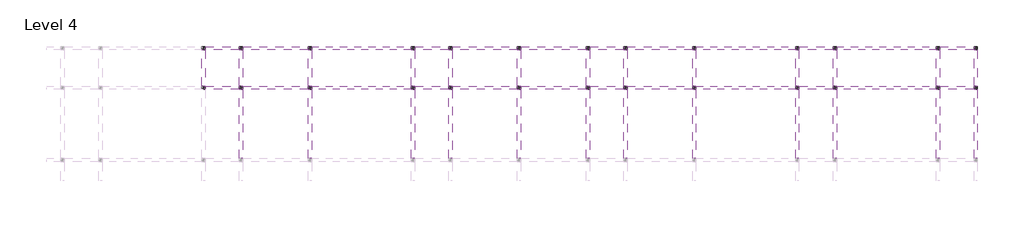
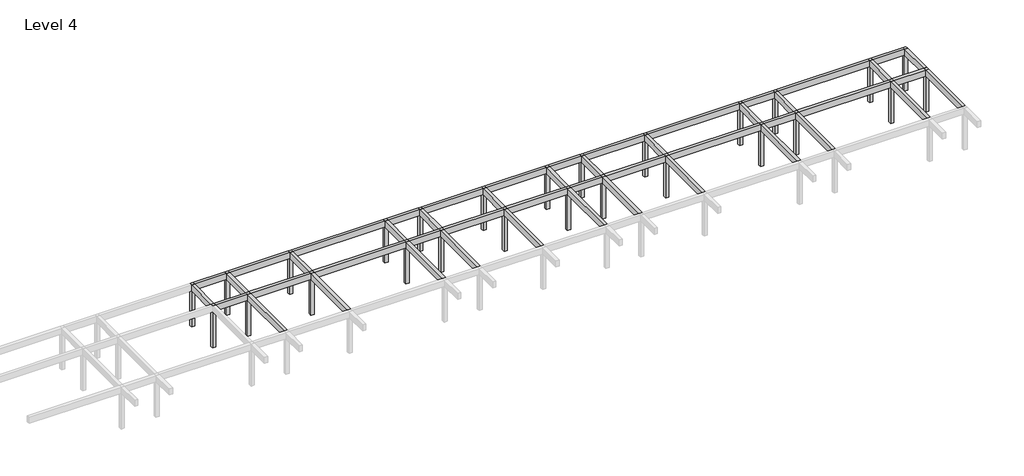
# One storey, part 3 of 3: 49 beams, 26 columns.
"""IFC4 building model written with IfcOpenShell, lengths in millimetres."""

from ifc_helpers import new_model, si_unit, frame, origin, place, context, project, spatial, polyline, outline, extrude, element, save

model = new_model("IFC4")

# Units and contexts
model_context = context("Model", 3, world=origin())
ifc_project = project(units=[si_unit("LENGTHUNIT", "METRE", prefix="MILLI")], contexts=[model_context])

# Site, building, storey
site = spatial("IfcSite", under=ifc_project)
building = spatial("IfcBuilding", under=site)
storey = spatial("IfcBuildingStorey", under=building, Name="Level 4", Elevation=12600.0)

# Beams
placement = place(None, origin())
element("IfcBeam", 1, ObjectType="M_Concrete-Rectangular Beam : 300 x 600mm", at=placement, inside=storey, context=model_context, shape_type="SweptSolid", body=[
    extrude(outline(polyline([(4295.953533, 9324.2507663), (4595.953533, 9324.2507663), (4595.953533, 6174.2507663), (4295.953533, 6174.2507663), (4295.953533, 9324.2507663)])), frame((0.0, 0.0, 16200.0), z_axis=(0.0, 0.0, 1.0), x_axis=(1.0, 0.0, 0.0)), (0.0, 0.0, 1.0), 600.0),
])
element("IfcBeam", 2, ObjectType="M_Concrete-Rectangular Beam : 300 x 600mm", at=placement, inside=storey, context=model_context, shape_type="SweptSolid", body=[
    extrude(outline(polyline([(7595.953533, 5874.2507663), (7895.953533, 5874.2507663), (7895.953533, -125.7492337), (7595.953533, -125.7492337), (7595.953533, 5874.2507663)])), frame((0.0, 0.0, 16200.0), z_axis=(0.0, 0.0, 1.0), x_axis=(1.0, 0.0, 0.0)), (0.0, 0.0, 1.0), 600.0),
])
element("IfcBeam", 3, ObjectType="M_Concrete-Rectangular Beam : 300 x 600mm", at=placement, inside=storey, context=model_context, shape_type="SweptSolid", body=[
    extrude(outline(polyline([(7595.953533, 9324.2507663), (7895.953533, 9324.2507663), (7895.953533, 6174.2507663), (7595.953533, 6174.2507663), (7595.953533, 9324.2507663)])), frame((0.0, 0.0, 16200.0), z_axis=(0.0, 0.0, 1.0), x_axis=(1.0, 0.0, 0.0)), (0.0, 0.0, 1.0), 600.0),
])
element("IfcBeam", 4, ObjectType="M_Concrete-Rectangular Beam : 300 x 600mm", at=placement, inside=storey, context=model_context, shape_type="SweptSolid", body=[
    extrude(outline(polyline([(13595.953533, 5874.2507663), (13895.953533, 5874.2507663), (13895.953533, -125.7492337), (13595.953533, -125.7492337), (13595.953533, 5874.2507663)])), frame((0.0, 0.0, 16200.0), z_axis=(0.0, 0.0, 1.0), x_axis=(1.0, 0.0, 0.0)), (0.0, 0.0, 1.0), 600.0),
])
element("IfcBeam", 5, ObjectType="M_Concrete-Rectangular Beam : 300 x 600mm", at=placement, inside=storey, context=model_context, shape_type="SweptSolid", body=[
    extrude(outline(polyline([(13595.953533, 9324.2507663), (13895.953533, 9324.2507663), (13895.953533, 6174.2507663), (13595.953533, 6174.2507663), (13595.953533, 9324.2507663)])), frame((0.0, 0.0, 16200.0), z_axis=(0.0, 0.0, 1.0), x_axis=(1.0, 0.0, 0.0)), (0.0, 0.0, 1.0), 600.0),
])
element("IfcBeam", 6, ObjectType="M_Concrete-Rectangular Beam : 300 x 600mm", at=placement, inside=storey, context=model_context, shape_type="SweptSolid", body=[
    extrude(outline(polyline([(25895.953533, 5874.2507663), (26195.953533, 5874.2507663), (26195.953533, -125.7492337), (25895.953533, -125.7492337), (25895.953533, 5874.2507663)])), frame((0.0, 0.0, 16200.0), z_axis=(0.0, 0.0, 1.0), x_axis=(1.0, 0.0, 0.0)), (0.0, 0.0, 1.0), 600.0),
])
element("IfcBeam", 7, ObjectType="M_Concrete-Rectangular Beam : 300 x 600mm", at=placement, inside=storey, context=model_context, shape_type="SweptSolid", body=[
    extrude(outline(polyline([(25895.953533, 9324.2507663), (26195.953533, 9324.2507663), (26195.953533, 6174.2507663), (25895.953533, 6174.2507663), (25895.953533, 9324.2507663)])), frame((0.0, 0.0, 16200.0), z_axis=(0.0, 0.0, 1.0), x_axis=(1.0, 0.0, 0.0)), (0.0, 0.0, 1.0), 600.0),
])
element("IfcBeam", 8, ObjectType="M_Concrete-Rectangular Beam : 300 x 600mm", at=placement, inside=storey, context=model_context, shape_type="SweptSolid", body=[
    extrude(outline(polyline([(22595.953533, 5874.2507663), (22895.953533, 5874.2507663), (22895.953533, -125.7492337), (22595.953533, -125.7492337), (22595.953533, 5874.2507663)])), frame((0.0, 0.0, 16200.0), z_axis=(0.0, 0.0, 1.0), x_axis=(1.0, 0.0, 0.0)), (0.0, 0.0, 1.0), 600.0),
])
element("IfcBeam", 9, ObjectType="M_Concrete-Rectangular Beam : 300 x 600mm", at=placement, inside=storey, context=model_context, shape_type="SweptSolid", body=[
    extrude(outline(polyline([(22595.953533, 9324.2507663), (22895.953533, 9324.2507663), (22895.953533, 6174.2507663), (22595.953533, 6174.2507663), (22595.953533, 9324.2507663)])), frame((0.0, 0.0, 16200.0), z_axis=(0.0, 0.0, 1.0), x_axis=(1.0, 0.0, 0.0)), (0.0, 0.0, 1.0), 600.0),
])
element("IfcBeam", 10, ObjectType="M_Concrete-Rectangular Beam : 300 x 600mm", at=placement, inside=storey, context=model_context, shape_type="SweptSolid", body=[
    extrude(outline(polyline([(31895.953533, 5874.2507663), (32195.953533, 5874.2507663), (32195.953533, -125.7492337), (31895.953533, -125.7492337), (31895.953533, 5874.2507663)])), frame((0.0, 0.0, 16200.0), z_axis=(0.0, 0.0, 1.0), x_axis=(1.0, 0.0, 0.0)), (0.0, 0.0, 1.0), 600.0),
])
element("IfcBeam", 11, ObjectType="M_Concrete-Rectangular Beam : 300 x 600mm", at=placement, inside=storey, context=model_context, shape_type="SweptSolid", body=[
    extrude(outline(polyline([(31895.953533, 9324.2507663), (32195.953533, 9324.2507663), (32195.953533, 6174.2507663), (31895.953533, 6174.2507663), (31895.953533, 9324.2507663)])), frame((0.0, 0.0, 16200.0), z_axis=(0.0, 0.0, 1.0), x_axis=(1.0, 0.0, 0.0)), (0.0, 0.0, 1.0), 600.0),
])
element("IfcBeam", 12, ObjectType="M_Concrete-Rectangular Beam : 300 x 600mm", at=placement, inside=storey, context=model_context, shape_type="SweptSolid", body=[
    extrude(outline(polyline([(37895.953533, 5874.2507663), (38195.953533, 5874.2507663), (38195.953533, -125.7492337), (37895.953533, -125.7492337), (37895.953533, 5874.2507663)])), frame((0.0, 0.0, 16200.0), z_axis=(0.0, 0.0, 1.0), x_axis=(1.0, 0.0, 0.0)), (0.0, 0.0, 1.0), 600.0),
])
element("IfcBeam", 13, ObjectType="M_Concrete-Rectangular Beam : 300 x 600mm", at=placement, inside=storey, context=model_context, shape_type="SweptSolid", body=[
    extrude(outline(polyline([(37895.953533, 9324.2507663), (38195.953533, 9324.2507663), (38195.953533, 6174.2507663), (37895.953533, 6174.2507663), (37895.953533, 9324.2507663)])), frame((0.0, 0.0, 16200.0), z_axis=(0.0, 0.0, 1.0), x_axis=(1.0, 0.0, 0.0)), (0.0, 0.0, 1.0), 600.0),
])
element("IfcBeam", 14, ObjectType="M_Concrete-Rectangular Beam : 300 x 600mm", at=placement, inside=storey, context=model_context, shape_type="SweptSolid", body=[
    extrude(outline(polyline([(41195.953533, 5874.2507663), (41495.953533, 5874.2507663), (41495.953533, -125.7492337), (41195.953533, -125.7492337), (41195.953533, 5874.2507663)])), frame((0.0, 0.0, 16200.0), z_axis=(0.0, 0.0, 1.0), x_axis=(1.0, 0.0, 0.0)), (0.0, 0.0, 1.0), 600.0),
])
element("IfcBeam", 15, ObjectType="M_Concrete-Rectangular Beam : 300 x 600mm", at=placement, inside=storey, context=model_context, shape_type="SweptSolid", body=[
    extrude(outline(polyline([(41195.953533, 9324.2507663), (41495.953533, 9324.2507663), (41495.953533, 6174.2507663), (41195.953533, 6174.2507663), (41195.953533, 9324.2507663)])), frame((0.0, 0.0, 16200.0), z_axis=(0.0, 0.0, 1.0), x_axis=(1.0, 0.0, 0.0)), (0.0, 0.0, 1.0), 600.0),
])
element("IfcBeam", 16, ObjectType="M_Concrete-Rectangular Beam : 300 x 600mm", at=placement, inside=storey, context=model_context, shape_type="SweptSolid", body=[
    extrude(outline(polyline([(47195.953533, 5874.2507663), (47495.953533, 5874.2507663), (47495.953533, -125.7492337), (47195.953533, -125.7492337), (47195.953533, 5874.2507663)])), frame((0.0, 0.0, 16200.0), z_axis=(0.0, 0.0, 1.0), x_axis=(1.0, 0.0, 0.0)), (0.0, 0.0, 1.0), 600.0),
])
element("IfcBeam", 17, ObjectType="M_Concrete-Rectangular Beam : 300 x 600mm", at=placement, inside=storey, context=model_context, shape_type="SweptSolid", body=[
    extrude(outline(polyline([(47195.953533, 9324.2507663), (47495.953533, 9324.2507663), (47495.953533, 6174.2507663), (47195.953533, 6174.2507663), (47195.953533, 9324.2507663)])), frame((0.0, 0.0, 16200.0), z_axis=(0.0, 0.0, 1.0), x_axis=(1.0, 0.0, 0.0)), (0.0, 0.0, 1.0), 600.0),
])
element("IfcBeam", 18, ObjectType="M_Concrete-Rectangular Beam : 300 x 600mm", at=placement, inside=storey, context=model_context, shape_type="SweptSolid", body=[
    extrude(outline(polyline([(56195.953533, 5874.2507663), (56495.953533, 5874.2507663), (56495.953533, -125.7492337), (56195.953533, -125.7492337), (56195.953533, 5874.2507663)])), frame((0.0, 0.0, 16200.0), z_axis=(0.0, 0.0, 1.0), x_axis=(1.0, 0.0, 0.0)), (0.0, 0.0, 1.0), 600.0),
])
element("IfcBeam", 19, ObjectType="M_Concrete-Rectangular Beam : 300 x 600mm", at=placement, inside=storey, context=model_context, shape_type="SweptSolid", body=[
    extrude(outline(polyline([(56195.953533, 9324.2507663), (56495.953533, 9324.2507663), (56495.953533, 6174.2507663), (56195.953533, 6174.2507663), (56195.953533, 9324.2507663)])), frame((0.0, 0.0, 16200.0), z_axis=(0.0, 0.0, 1.0), x_axis=(1.0, 0.0, 0.0)), (0.0, 0.0, 1.0), 600.0),
])
element("IfcBeam", 20, ObjectType="M_Concrete-Rectangular Beam : 300 x 600mm", at=placement, inside=storey, context=model_context, shape_type="SweptSolid", body=[
    extrude(outline(polyline([(59495.953533, 5874.2507663), (59795.953533, 5874.2507663), (59795.953533, -125.7492337), (59495.953533, -125.7492337), (59495.953533, 5874.2507663)])), frame((0.0, 0.0, 16200.0), z_axis=(0.0, 0.0, 1.0), x_axis=(1.0, 0.0, 0.0)), (0.0, 0.0, 1.0), 600.0),
])
element("IfcBeam", 21, ObjectType="M_Concrete-Rectangular Beam : 300 x 600mm", at=placement, inside=storey, context=model_context, shape_type="SweptSolid", body=[
    extrude(outline(polyline([(59495.953533, 9324.2507663), (59795.953533, 9324.2507663), (59795.953533, 6174.2507663), (59495.953533, 6174.2507663), (59495.953533, 9324.2507663)])), frame((0.0, 0.0, 16200.0), z_axis=(0.0, 0.0, 1.0), x_axis=(1.0, 0.0, 0.0)), (0.0, 0.0, 1.0), 600.0),
])
element("IfcBeam", 22, ObjectType="M_Concrete-Rectangular Beam : 300 x 600mm", at=placement, inside=storey, context=model_context, shape_type="SweptSolid", body=[
    extrude(outline(polyline([(68495.953533, 5874.2507663), (68795.953533, 5874.2507663), (68795.953533, -125.7492337), (68495.953533, -125.7492337), (68495.953533, 5874.2507663)])), frame((0.0, 0.0, 16200.0), z_axis=(0.0, 0.0, 1.0), x_axis=(1.0, 0.0, 0.0)), (0.0, 0.0, 1.0), 600.0),
])
element("IfcBeam", 23, ObjectType="M_Concrete-Rectangular Beam : 300 x 600mm", at=placement, inside=storey, context=model_context, shape_type="SweptSolid", body=[
    extrude(outline(polyline([(68495.953533, 9324.2507663), (68795.953533, 9324.2507663), (68795.953533, 6174.2507663), (68495.953533, 6174.2507663), (68495.953533, 9324.2507663)])), frame((0.0, 0.0, 16200.0), z_axis=(0.0, 0.0, 1.0), x_axis=(1.0, 0.0, 0.0)), (0.0, 0.0, 1.0), 600.0),
])
element("IfcBeam", 24, ObjectType="M_Concrete-Rectangular Beam : 300 x 600mm", at=placement, inside=storey, context=model_context, shape_type="SweptSolid", body=[
    extrude(outline(polyline([(71795.953533, 5874.2507663), (72095.953533, 5874.2507663), (72095.953533, -125.7492337), (71795.953533, -125.7492337), (71795.953533, 5874.2507663)])), frame((0.0, 0.0, 16200.0), z_axis=(0.0, 0.0, 1.0), x_axis=(1.0, 0.0, 0.0)), (0.0, 0.0, 1.0), 600.0),
])
element("IfcBeam", 25, ObjectType="M_Concrete-Rectangular Beam : 300 x 600mm", at=placement, inside=storey, context=model_context, shape_type="SweptSolid", body=[
    extrude(outline(polyline([(71795.953533, 9324.2507663), (72095.953533, 9324.2507663), (72095.953533, 6174.2507663), (71795.953533, 6174.2507663), (71795.953533, 9324.2507663)])), frame((0.0, 0.0, 16200.0), z_axis=(0.0, 0.0, 1.0), x_axis=(1.0, 0.0, 0.0)), (0.0, 0.0, 1.0), 600.0),
])
element("IfcBeam", 26, ObjectType="M_Concrete-Rectangular Beam : 300 x 600mm", at=placement, inside=storey, context=model_context, shape_type="SweptSolid", body=[
    extrude(outline(polyline([(4595.953533, 9324.2507663), (4595.953533, 9624.2507663), (7595.953533, 9624.2507663), (7595.953533, 9324.2507663), (4595.953533, 9324.2507663)])), frame((0.0, 0.0, 16200.0), z_axis=(0.0, 0.0, 1.0), x_axis=(1.0, 0.0, 0.0)), (0.0, 0.0, 1.0), 600.0),
])
element("IfcBeam", 27, ObjectType="M_Concrete-Rectangular Beam : 300 x 600mm", at=placement, inside=storey, context=model_context, shape_type="SweptSolid", body=[
    extrude(outline(polyline([(7895.953533, 9324.2507663), (7895.953533, 9624.2507663), (13595.953533, 9624.2507663), (13595.953533, 9324.2507663), (7895.953533, 9324.2507663)])), frame((0.0, 0.0, 16200.0), z_axis=(0.0, 0.0, 1.0), x_axis=(1.0, 0.0, 0.0)), (0.0, 0.0, 1.0), 600.0),
])
element("IfcBeam", 28, ObjectType="M_Concrete-Rectangular Beam : 300 x 600mm", at=placement, inside=storey, context=model_context, shape_type="SweptSolid", body=[
    extrude(outline(polyline([(13895.953533, 9324.2507663), (13895.953533, 9624.2507663), (22595.953533, 9624.2507663), (22595.953533, 9324.2507663), (13895.953533, 9324.2507663)])), frame((0.0, 0.0, 16200.0), z_axis=(0.0, 0.0, 1.0), x_axis=(1.0, 0.0, 0.0)), (0.0, 0.0, 1.0), 600.0),
])
element("IfcBeam", 29, ObjectType="M_Concrete-Rectangular Beam : 300 x 600mm", at=placement, inside=storey, context=model_context, shape_type="SweptSolid", body=[
    extrude(outline(polyline([(25895.953533, 9624.2507663), (25895.953533, 9324.2507663), (22895.953533, 9324.2507663), (22895.953533, 9624.2507663), (25895.953533, 9624.2507663)])), frame((0.0, 0.0, 16200.0), z_axis=(0.0, 0.0, 1.0), x_axis=(1.0, 0.0, 0.0)), (0.0, 0.0, 1.0), 600.0),
])
element("IfcBeam", 30, ObjectType="M_Concrete-Rectangular Beam : 300 x 600mm", at=placement, inside=storey, context=model_context, shape_type="SweptSolid", body=[
    extrude(outline(polyline([(26195.953533, 9324.2507663), (26195.953533, 9624.2507663), (31895.953533, 9624.2507663), (31895.953533, 9324.2507663), (26195.953533, 9324.2507663)])), frame((0.0, 0.0, 16200.0), z_axis=(0.0, 0.0, 1.0), x_axis=(1.0, 0.0, 0.0)), (0.0, 0.0, 1.0), 600.0),
])
element("IfcBeam", 31, ObjectType="M_Concrete-Rectangular Beam : 300 x 600mm", at=placement, inside=storey, context=model_context, shape_type="SweptSolid", body=[
    extrude(outline(polyline([(32195.953533, 9324.2507663), (32195.953533, 9624.2507663), (37895.953533, 9624.2507663), (37895.953533, 9324.2507663), (32195.953533, 9324.2507663)])), frame((0.0, 0.0, 16200.0), z_axis=(0.0, 0.0, 1.0), x_axis=(1.0, 0.0, 0.0)), (0.0, 0.0, 1.0), 600.0),
])
element("IfcBeam", 32, ObjectType="M_Concrete-Rectangular Beam : 300 x 600mm", at=placement, inside=storey, context=model_context, shape_type="SweptSolid", body=[
    extrude(outline(polyline([(38195.953533, 9324.2507663), (38195.953533, 9624.2507663), (41195.953533, 9624.2507663), (41195.953533, 9324.2507663), (38195.953533, 9324.2507663)])), frame((0.0, 0.0, 16200.0), z_axis=(0.0, 0.0, 1.0), x_axis=(1.0, 0.0, 0.0)), (0.0, 0.0, 1.0), 600.0),
])
element("IfcBeam", 33, ObjectType="M_Concrete-Rectangular Beam : 300 x 600mm", at=placement, inside=storey, context=model_context, shape_type="SweptSolid", body=[
    extrude(outline(polyline([(41495.953533, 9324.2507663), (41495.953533, 9624.2507663), (47195.953533, 9624.2507663), (47195.953533, 9324.2507663), (41495.953533, 9324.2507663)])), frame((0.0, 0.0, 16200.0), z_axis=(0.0, 0.0, 1.0), x_axis=(1.0, 0.0, 0.0)), (0.0, 0.0, 1.0), 600.0),
])
element("IfcBeam", 34, ObjectType="M_Concrete-Rectangular Beam : 300 x 600mm", at=placement, inside=storey, context=model_context, shape_type="SweptSolid", body=[
    extrude(outline(polyline([(47495.953533, 9324.2507663), (47495.953533, 9624.2507663), (56195.953533, 9624.2507663), (56195.953533, 9324.2507663), (47495.953533, 9324.2507663)])), frame((0.0, 0.0, 16200.0), z_axis=(0.0, 0.0, 1.0), x_axis=(1.0, 0.0, 0.0)), (0.0, 0.0, 1.0), 600.0),
])
element("IfcBeam", 35, ObjectType="M_Concrete-Rectangular Beam : 300 x 600mm", at=placement, inside=storey, context=model_context, shape_type="SweptSolid", body=[
    extrude(outline(polyline([(56495.953533, 9324.2507663), (56495.953533, 9624.2507663), (59495.953533, 9624.2507663), (59495.953533, 9324.2507663), (56495.953533, 9324.2507663)])), frame((0.0, 0.0, 16200.0), z_axis=(0.0, 0.0, 1.0), x_axis=(1.0, 0.0, 0.0)), (0.0, 0.0, 1.0), 600.0),
])
element("IfcBeam", 36, ObjectType="M_Concrete-Rectangular Beam : 300 x 600mm", at=placement, inside=storey, context=model_context, shape_type="SweptSolid", body=[
    extrude(outline(polyline([(59795.953533, 9324.2507663), (59795.953533, 9624.2507663), (68495.953533, 9624.2507663), (68495.953533, 9324.2507663), (59795.953533, 9324.2507663)])), frame((0.0, 0.0, 16200.0), z_axis=(0.0, 0.0, 1.0), x_axis=(1.0, 0.0, 0.0)), (0.0, 0.0, 1.0), 600.0),
])
element("IfcBeam", 37, ObjectType="M_Concrete-Rectangular Beam : 300 x 600mm", at=placement, inside=storey, context=model_context, shape_type="SweptSolid", body=[
    extrude(outline(polyline([(68795.953533, 9324.2507663), (68795.953533, 9624.2507663), (71795.953533, 9624.2507663), (71795.953533, 9324.2507663), (68795.953533, 9324.2507663)])), frame((0.0, 0.0, 16200.0), z_axis=(0.0, 0.0, 1.0), x_axis=(1.0, 0.0, 0.0)), (0.0, 0.0, 1.0), 600.0),
])
element("IfcBeam", 38, ObjectType="M_Concrete-Rectangular Beam : 300 x 600mm", at=placement, inside=storey, context=model_context, shape_type="SweptSolid", body=[
    extrude(outline(polyline([(4595.953533, 5874.2507663), (4595.953533, 6174.2507663), (7595.953533, 6174.2507663), (7595.953533, 5874.2507663), (4595.953533, 5874.2507663)])), frame((0.0, 0.0, 16200.0), z_axis=(0.0, 0.0, 1.0), x_axis=(1.0, 0.0, 0.0)), (0.0, 0.0, 1.0), 600.0),
])
element("IfcBeam", 39, ObjectType="M_Concrete-Rectangular Beam : 300 x 600mm", at=placement, inside=storey, context=model_context, shape_type="SweptSolid", body=[
    extrude(outline(polyline([(7895.953533, 5874.2507663), (7895.953533, 6174.2507663), (13595.953533, 6174.2507663), (13595.953533, 5874.2507663), (7895.953533, 5874.2507663)])), frame((0.0, 0.0, 16200.0), z_axis=(0.0, 0.0, 1.0), x_axis=(1.0, 0.0, 0.0)), (0.0, 0.0, 1.0), 600.0),
])
element("IfcBeam", 40, ObjectType="M_Concrete-Rectangular Beam : 300 x 600mm", at=placement, inside=storey, context=model_context, shape_type="SweptSolid", body=[
    extrude(outline(polyline([(13895.953533, 5874.2507663), (13895.953533, 6174.2507663), (22595.953533, 6174.2507663), (22595.953533, 5874.2507663), (13895.953533, 5874.2507663)])), frame((0.0, 0.0, 16200.0), z_axis=(0.0, 0.0, 1.0), x_axis=(1.0, 0.0, 0.0)), (0.0, 0.0, 1.0), 600.0),
])
element("IfcBeam", 41, ObjectType="M_Concrete-Rectangular Beam : 300 x 600mm", at=placement, inside=storey, context=model_context, shape_type="SweptSolid", body=[
    extrude(outline(polyline([(25895.953533, 6174.2507663), (25895.953533, 5874.2507663), (22895.953533, 5874.2507663), (22895.953533, 6174.2507663), (25895.953533, 6174.2507663)])), frame((0.0, 0.0, 16200.0), z_axis=(0.0, 0.0, 1.0), x_axis=(1.0, 0.0, 0.0)), (0.0, 0.0, 1.0), 600.0),
])
element("IfcBeam", 42, ObjectType="M_Concrete-Rectangular Beam : 300 x 600mm", at=placement, inside=storey, context=model_context, shape_type="SweptSolid", body=[
    extrude(outline(polyline([(26195.953533, 5874.2507663), (26195.953533, 6174.2507663), (31895.953533, 6174.2507663), (31895.953533, 5874.2507663), (26195.953533, 5874.2507663)])), frame((0.0, 0.0, 16200.0), z_axis=(0.0, 0.0, 1.0), x_axis=(1.0, 0.0, 0.0)), (0.0, 0.0, 1.0), 600.0),
])
element("IfcBeam", 43, ObjectType="M_Concrete-Rectangular Beam : 300 x 600mm", at=placement, inside=storey, context=model_context, shape_type="SweptSolid", body=[
    extrude(outline(polyline([(32195.953533, 5874.2507663), (32195.953533, 6174.2507663), (37895.953533, 6174.2507663), (37895.953533, 5874.2507663), (32195.953533, 5874.2507663)])), frame((0.0, 0.0, 16200.0), z_axis=(0.0, 0.0, 1.0), x_axis=(1.0, 0.0, 0.0)), (0.0, 0.0, 1.0), 600.0),
])
element("IfcBeam", 44, ObjectType="M_Concrete-Rectangular Beam : 300 x 600mm", at=placement, inside=storey, context=model_context, shape_type="SweptSolid", body=[
    extrude(outline(polyline([(38195.953533, 5874.2507663), (38195.953533, 6174.2507663), (41195.953533, 6174.2507663), (41195.953533, 5874.2507663), (38195.953533, 5874.2507663)])), frame((0.0, 0.0, 16200.0), z_axis=(0.0, 0.0, 1.0), x_axis=(1.0, 0.0, 0.0)), (0.0, 0.0, 1.0), 600.0),
])
element("IfcBeam", 45, ObjectType="M_Concrete-Rectangular Beam : 300 x 600mm", at=placement, inside=storey, context=model_context, shape_type="SweptSolid", body=[
    extrude(outline(polyline([(41495.953533, 5874.2507663), (41495.953533, 6174.2507663), (47195.953533, 6174.2507663), (47195.953533, 5874.2507663), (41495.953533, 5874.2507663)])), frame((0.0, 0.0, 16200.0), z_axis=(0.0, 0.0, 1.0), x_axis=(1.0, 0.0, 0.0)), (0.0, 0.0, 1.0), 600.0),
])
element("IfcBeam", 46, ObjectType="M_Concrete-Rectangular Beam : 300 x 600mm", at=placement, inside=storey, context=model_context, shape_type="SweptSolid", body=[
    extrude(outline(polyline([(47495.953533, 5874.2507663), (47495.953533, 6174.2507663), (56195.953533, 6174.2507663), (56195.953533, 5874.2507663), (47495.953533, 5874.2507663)])), frame((0.0, 0.0, 16200.0), z_axis=(0.0, 0.0, 1.0), x_axis=(1.0, 0.0, 0.0)), (0.0, 0.0, 1.0), 600.0),
])
element("IfcBeam", 47, ObjectType="M_Concrete-Rectangular Beam : 300 x 600mm", at=placement, inside=storey, context=model_context, shape_type="SweptSolid", body=[
    extrude(outline(polyline([(56495.953533, 5874.2507663), (56495.953533, 6174.2507663), (59495.953533, 6174.2507663), (59495.953533, 5874.2507663), (56495.953533, 5874.2507663)])), frame((0.0, 0.0, 16200.0), z_axis=(0.0, 0.0, 1.0), x_axis=(1.0, 0.0, 0.0)), (0.0, 0.0, 1.0), 600.0),
])
element("IfcBeam", 48, ObjectType="M_Concrete-Rectangular Beam : 300 x 600mm", at=placement, inside=storey, context=model_context, shape_type="SweptSolid", body=[
    extrude(outline(polyline([(59795.953533, 5874.2507663), (59795.953533, 6174.2507663), (68495.953533, 6174.2507663), (68495.953533, 5874.2507663), (59795.953533, 5874.2507663)])), frame((0.0, 0.0, 16200.0), z_axis=(0.0, 0.0, 1.0), x_axis=(1.0, 0.0, 0.0)), (0.0, 0.0, 1.0), 600.0),
])
element("IfcBeam", 49, ObjectType="M_Concrete-Rectangular Beam : 300 x 600mm", at=placement, inside=storey, context=model_context, shape_type="SweptSolid", body=[
    extrude(outline(polyline([(68795.953533, 5874.2507663), (68795.953533, 6174.2507663), (71795.953533, 6174.2507663), (71795.953533, 5874.2507663), (68795.953533, 5874.2507663)])), frame((0.0, 0.0, 16200.0), z_axis=(0.0, 0.0, 1.0), x_axis=(1.0, 0.0, 0.0)), (0.0, 0.0, 1.0), 600.0),
])

# Columns
element("IfcColumn", 50, ObjectType="M_Concrete-Square-Column : 300 x 300mm", at=placement, inside=storey, context=model_context, shape_type="SweptSolid", body=[
    extrude(outline(polyline([(4595.953533, 9624.2507663), (4595.953533, 9324.2507663), (4295.953533, 9324.2507663), (4295.953533, 9624.2507663), (4595.953533, 9624.2507663)])), frame((0.0, 0.0, 12600.0), z_axis=(0.0, 0.0, 1.0), x_axis=(1.0, 0.0, 0.0)), (0.0, 0.0, 1.0), 4200.0),
])
element("IfcColumn", 51, ObjectType="M_Concrete-Square-Column : 300 x 300mm", at=placement, inside=storey, context=model_context, shape_type="SweptSolid", body=[
    extrude(outline(polyline([(4595.953533, 6174.2507663), (4595.953533, 5874.2507663), (4295.953533, 5874.2507663), (4295.953533, 6174.2507663), (4595.953533, 6174.2507663)])), frame((0.0, 0.0, 12600.0), z_axis=(0.0, 0.0, 1.0), x_axis=(1.0, 0.0, 0.0)), (0.0, 0.0, 1.0), 4200.0),
])
element("IfcColumn", 52, ObjectType="M_Concrete-Square-Column : 300 x 300mm", at=placement, inside=storey, context=model_context, shape_type="SweptSolid", body=[
    extrude(outline(polyline([(7895.953533, 9624.2507663), (7895.953533, 9324.2507663), (7595.953533, 9324.2507663), (7595.953533, 9624.2507663), (7895.953533, 9624.2507663)])), frame((0.0, 0.0, 12600.0), z_axis=(0.0, 0.0, 1.0), x_axis=(1.0, 0.0, 0.0)), (0.0, 0.0, 1.0), 4200.0),
])
element("IfcColumn", 53, ObjectType="M_Concrete-Square-Column : 300 x 300mm", at=placement, inside=storey, context=model_context, shape_type="SweptSolid", body=[
    extrude(outline(polyline([(7895.953533, 6174.2507663), (7895.953533, 5874.2507663), (7595.953533, 5874.2507663), (7595.953533, 6174.2507663), (7895.953533, 6174.2507663)])), frame((0.0, 0.0, 12600.0), z_axis=(0.0, 0.0, 1.0), x_axis=(1.0, 0.0, 0.0)), (0.0, 0.0, 1.0), 4200.0),
])
element("IfcColumn", 54, ObjectType="M_Concrete-Square-Column : 300 x 300mm", at=placement, inside=storey, context=model_context, shape_type="SweptSolid", body=[
    extrude(outline(polyline([(13895.953533, 9624.2507663), (13895.953533, 9324.2507663), (13595.953533, 9324.2507663), (13595.953533, 9624.2507663), (13895.953533, 9624.2507663)])), frame((0.0, 0.0, 12600.0), z_axis=(0.0, 0.0, 1.0), x_axis=(1.0, 0.0, 0.0)), (0.0, 0.0, 1.0), 4200.0),
])
element("IfcColumn", 55, ObjectType="M_Concrete-Square-Column : 300 x 300mm", at=placement, inside=storey, context=model_context, shape_type="SweptSolid", body=[
    extrude(outline(polyline([(13895.953533, 6174.2507663), (13895.953533, 5874.2507663), (13595.953533, 5874.2507663), (13595.953533, 6174.2507663), (13895.953533, 6174.2507663)])), frame((0.0, 0.0, 12600.0), z_axis=(0.0, 0.0, 1.0), x_axis=(1.0, 0.0, 0.0)), (0.0, 0.0, 1.0), 4200.0),
])
element("IfcColumn", 56, ObjectType="M_Concrete-Square-Column : 300 x 300mm", at=placement, inside=storey, context=model_context, shape_type="SweptSolid", body=[
    extrude(outline(polyline([(26195.953533, 9624.2507663), (26195.953533, 9324.2507663), (25895.953533, 9324.2507663), (25895.953533, 9624.2507663), (26195.953533, 9624.2507663)])), frame((0.0, 0.0, 12600.0), z_axis=(0.0, 0.0, 1.0), x_axis=(1.0, 0.0, 0.0)), (0.0, 0.0, 1.0), 4200.0),
])
element("IfcColumn", 57, ObjectType="M_Concrete-Square-Column : 300 x 300mm", at=placement, inside=storey, context=model_context, shape_type="SweptSolid", body=[
    extrude(outline(polyline([(26195.953533, 6174.2507663), (26195.953533, 5874.2507663), (25895.953533, 5874.2507663), (25895.953533, 6174.2507663), (26195.953533, 6174.2507663)])), frame((0.0, 0.0, 12600.0), z_axis=(0.0, 0.0, 1.0), x_axis=(1.0, 0.0, 0.0)), (0.0, 0.0, 1.0), 4200.0),
])
element("IfcColumn", 58, ObjectType="M_Concrete-Square-Column : 300 x 300mm", at=placement, inside=storey, context=model_context, shape_type="SweptSolid", body=[
    extrude(outline(polyline([(22895.953533, 9624.2507663), (22895.953533, 9324.2507663), (22595.953533, 9324.2507663), (22595.953533, 9624.2507663), (22895.953533, 9624.2507663)])), frame((0.0, 0.0, 12600.0), z_axis=(0.0, 0.0, 1.0), x_axis=(1.0, 0.0, 0.0)), (0.0, 0.0, 1.0), 4200.0),
])
element("IfcColumn", 59, ObjectType="M_Concrete-Square-Column : 300 x 300mm", at=placement, inside=storey, context=model_context, shape_type="SweptSolid", body=[
    extrude(outline(polyline([(22895.953533, 6174.2507663), (22895.953533, 5874.2507663), (22595.953533, 5874.2507663), (22595.953533, 6174.2507663), (22895.953533, 6174.2507663)])), frame((0.0, 0.0, 12600.0), z_axis=(0.0, 0.0, 1.0), x_axis=(1.0, 0.0, 0.0)), (0.0, 0.0, 1.0), 4200.0),
])
element("IfcColumn", 60, ObjectType="M_Concrete-Square-Column : 300 x 300mm", at=placement, inside=storey, context=model_context, shape_type="SweptSolid", body=[
    extrude(outline(polyline([(32195.953533, 9624.2507663), (32195.953533, 9324.2507663), (31895.953533, 9324.2507663), (31895.953533, 9624.2507663), (32195.953533, 9624.2507663)])), frame((0.0, 0.0, 12600.0), z_axis=(0.0, 0.0, 1.0), x_axis=(1.0, 0.0, 0.0)), (0.0, 0.0, 1.0), 4200.0),
])
element("IfcColumn", 61, ObjectType="M_Concrete-Square-Column : 300 x 300mm", at=placement, inside=storey, context=model_context, shape_type="SweptSolid", body=[
    extrude(outline(polyline([(32195.953533, 6174.2507663), (32195.953533, 5874.2507663), (31895.953533, 5874.2507663), (31895.953533, 6174.2507663), (32195.953533, 6174.2507663)])), frame((0.0, 0.0, 12600.0), z_axis=(0.0, 0.0, 1.0), x_axis=(1.0, 0.0, 0.0)), (0.0, 0.0, 1.0), 4200.0),
])
element("IfcColumn", 62, ObjectType="M_Concrete-Square-Column : 300 x 300mm", at=placement, inside=storey, context=model_context, shape_type="SweptSolid", body=[
    extrude(outline(polyline([(38195.953533, 9624.2507663), (38195.953533, 9324.2507663), (37895.953533, 9324.2507663), (37895.953533, 9624.2507663), (38195.953533, 9624.2507663)])), frame((0.0, 0.0, 12600.0), z_axis=(0.0, 0.0, 1.0), x_axis=(1.0, 0.0, 0.0)), (0.0, 0.0, 1.0), 4200.0),
])
element("IfcColumn", 63, ObjectType="M_Concrete-Square-Column : 300 x 300mm", at=placement, inside=storey, context=model_context, shape_type="SweptSolid", body=[
    extrude(outline(polyline([(38195.953533, 6174.2507663), (38195.953533, 5874.2507663), (37895.953533, 5874.2507663), (37895.953533, 6174.2507663), (38195.953533, 6174.2507663)])), frame((0.0, 0.0, 12600.0), z_axis=(0.0, 0.0, 1.0), x_axis=(1.0, 0.0, 0.0)), (0.0, 0.0, 1.0), 4200.0),
])
element("IfcColumn", 64, ObjectType="M_Concrete-Square-Column : 300 x 300mm", at=placement, inside=storey, context=model_context, shape_type="SweptSolid", body=[
    extrude(outline(polyline([(41495.953533, 9624.2507663), (41495.953533, 9324.2507663), (41195.953533, 9324.2507663), (41195.953533, 9624.2507663), (41495.953533, 9624.2507663)])), frame((0.0, 0.0, 12600.0), z_axis=(0.0, 0.0, 1.0), x_axis=(1.0, 0.0, 0.0)), (0.0, 0.0, 1.0), 4200.0),
])
element("IfcColumn", 65, ObjectType="M_Concrete-Square-Column : 300 x 300mm", at=placement, inside=storey, context=model_context, shape_type="SweptSolid", body=[
    extrude(outline(polyline([(41495.953533, 6174.2507663), (41495.953533, 5874.2507663), (41195.953533, 5874.2507663), (41195.953533, 6174.2507663), (41495.953533, 6174.2507663)])), frame((0.0, 0.0, 12600.0), z_axis=(0.0, 0.0, 1.0), x_axis=(1.0, 0.0, 0.0)), (0.0, 0.0, 1.0), 4200.0),
])
element("IfcColumn", 66, ObjectType="M_Concrete-Square-Column : 300 x 300mm", at=placement, inside=storey, context=model_context, shape_type="SweptSolid", body=[
    extrude(outline(polyline([(47495.953533, 9624.2507663), (47495.953533, 9324.2507663), (47195.953533, 9324.2507663), (47195.953533, 9624.2507663), (47495.953533, 9624.2507663)])), frame((0.0, 0.0, 12600.0), z_axis=(0.0, 0.0, 1.0), x_axis=(1.0, 0.0, 0.0)), (0.0, 0.0, 1.0), 4200.0),
])
element("IfcColumn", 67, ObjectType="M_Concrete-Square-Column : 300 x 300mm", at=placement, inside=storey, context=model_context, shape_type="SweptSolid", body=[
    extrude(outline(polyline([(47495.953533, 6174.2507663), (47495.953533, 5874.2507663), (47195.953533, 5874.2507663), (47195.953533, 6174.2507663), (47495.953533, 6174.2507663)])), frame((0.0, 0.0, 12600.0), z_axis=(0.0, 0.0, 1.0), x_axis=(1.0, 0.0, 0.0)), (0.0, 0.0, 1.0), 4200.0),
])
element("IfcColumn", 68, ObjectType="M_Concrete-Square-Column : 300 x 300mm", at=placement, inside=storey, context=model_context, shape_type="SweptSolid", body=[
    extrude(outline(polyline([(56495.953533, 9624.2507663), (56495.953533, 9324.2507663), (56195.953533, 9324.2507663), (56195.953533, 9624.2507663), (56495.953533, 9624.2507663)])), frame((0.0, 0.0, 12600.0), z_axis=(0.0, 0.0, 1.0), x_axis=(1.0, 0.0, 0.0)), (0.0, 0.0, 1.0), 4200.0),
])
element("IfcColumn", 69, ObjectType="M_Concrete-Square-Column : 300 x 300mm", at=placement, inside=storey, context=model_context, shape_type="SweptSolid", body=[
    extrude(outline(polyline([(56495.953533, 6174.2507663), (56495.953533, 5874.2507663), (56195.953533, 5874.2507663), (56195.953533, 6174.2507663), (56495.953533, 6174.2507663)])), frame((0.0, 0.0, 12600.0), z_axis=(0.0, 0.0, 1.0), x_axis=(1.0, 0.0, 0.0)), (0.0, 0.0, 1.0), 4200.0),
])
element("IfcColumn", 70, ObjectType="M_Concrete-Square-Column : 300 x 300mm", at=placement, inside=storey, context=model_context, shape_type="SweptSolid", body=[
    extrude(outline(polyline([(59795.953533, 9624.2507663), (59795.953533, 9324.2507663), (59495.953533, 9324.2507663), (59495.953533, 9624.2507663), (59795.953533, 9624.2507663)])), frame((0.0, 0.0, 12600.0), z_axis=(0.0, 0.0, 1.0), x_axis=(1.0, 0.0, 0.0)), (0.0, 0.0, 1.0), 4200.0),
])
element("IfcColumn", 71, ObjectType="M_Concrete-Square-Column : 300 x 300mm", at=placement, inside=storey, context=model_context, shape_type="SweptSolid", body=[
    extrude(outline(polyline([(59795.953533, 6174.2507663), (59795.953533, 5874.2507663), (59495.953533, 5874.2507663), (59495.953533, 6174.2507663), (59795.953533, 6174.2507663)])), frame((0.0, 0.0, 12600.0), z_axis=(0.0, 0.0, 1.0), x_axis=(1.0, 0.0, 0.0)), (0.0, 0.0, 1.0), 4200.0),
])
element("IfcColumn", 72, ObjectType="M_Concrete-Square-Column : 300 x 300mm", at=placement, inside=storey, context=model_context, shape_type="SweptSolid", body=[
    extrude(outline(polyline([(68795.953533, 9624.2507663), (68795.953533, 9324.2507663), (68495.953533, 9324.2507663), (68495.953533, 9624.2507663), (68795.953533, 9624.2507663)])), frame((0.0, 0.0, 12600.0), z_axis=(0.0, 0.0, 1.0), x_axis=(1.0, 0.0, 0.0)), (0.0, 0.0, 1.0), 4200.0),
])
element("IfcColumn", 73, ObjectType="M_Concrete-Square-Column : 300 x 300mm", at=placement, inside=storey, context=model_context, shape_type="SweptSolid", body=[
    extrude(outline(polyline([(68795.953533, 6174.2507663), (68795.953533, 5874.2507663), (68495.953533, 5874.2507663), (68495.953533, 6174.2507663), (68795.953533, 6174.2507663)])), frame((0.0, 0.0, 12600.0), z_axis=(0.0, 0.0, 1.0), x_axis=(1.0, 0.0, 0.0)), (0.0, 0.0, 1.0), 4200.0),
])
element("IfcColumn", 74, ObjectType="M_Concrete-Square-Column : 300 x 300mm", at=placement, inside=storey, context=model_context, shape_type="SweptSolid", body=[
    extrude(outline(polyline([(72095.953533, 9624.2507663), (72095.953533, 9324.2507663), (71795.953533, 9324.2507663), (71795.953533, 9624.2507663), (72095.953533, 9624.2507663)])), frame((0.0, 0.0, 12600.0), z_axis=(0.0, 0.0, 1.0), x_axis=(1.0, 0.0, 0.0)), (0.0, 0.0, 1.0), 4200.0),
])
element("IfcColumn", 75, ObjectType="M_Concrete-Square-Column : 300 x 300mm", at=placement, inside=storey, context=model_context, shape_type="SweptSolid", body=[
    extrude(outline(polyline([(72095.953533, 6174.2507663), (72095.953533, 5874.2507663), (71795.953533, 5874.2507663), (71795.953533, 6174.2507663), (72095.953533, 6174.2507663)])), frame((0.0, 0.0, 12600.0), z_axis=(0.0, 0.0, 1.0), x_axis=(1.0, 0.0, 0.0)), (0.0, 0.0, 1.0), 4200.0),
])

save(model, "model.ifc")
